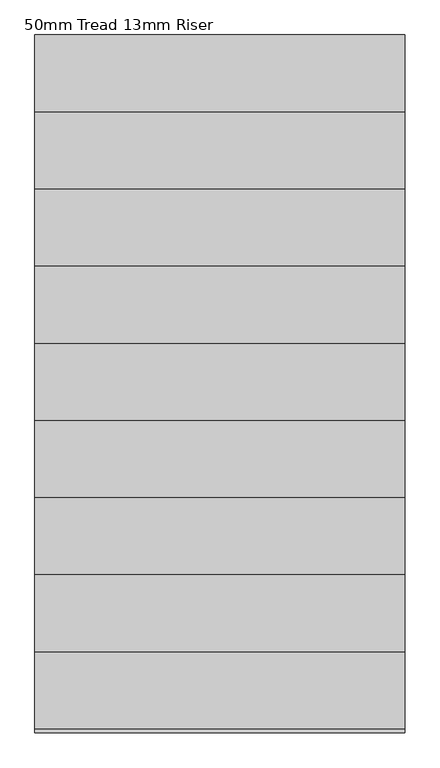
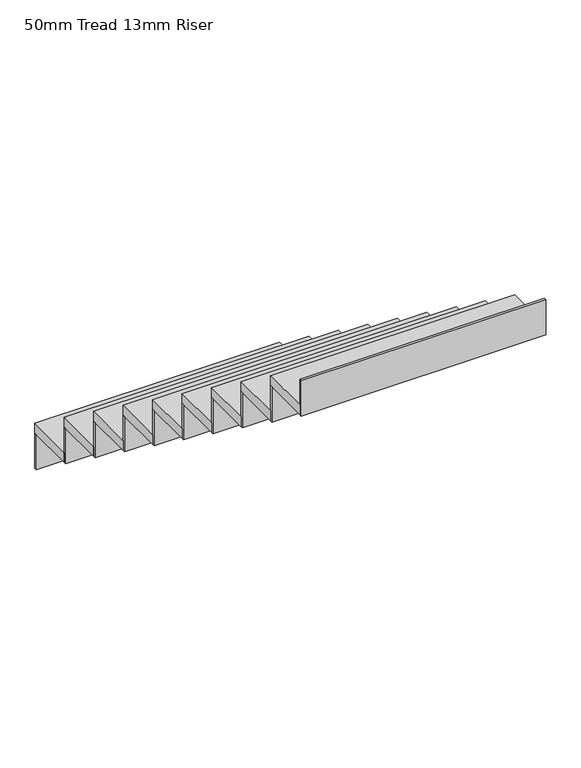
"""IFC4 building model written with IfcOpenShell, lengths in millimetres: stair flight geometry, 50mm Tread 13mm Riser."""

from ifc_helpers import new_model, si_unit, frame, origin, place, context, project, spatial, polyline, outline, extrude, source, transform, mapped, element, save


def stair_flight_50mm_tread_13mm_riser_dfc978ee(model_context):
    return source(origin(), model_context, "Body", "SweptSolid", [
        extrude(outline(polyline([(-20882.9044643, 2815.3449078), (-20882.9044643, 2827.8449078), (-19682.9044643, 2827.8449078), (-19682.9044643, 2815.3449078), (-20882.9044643, 2815.3449078)])), frame((0.0, 0.0, 14525.0), z_axis=(0.0, 0.0, 1.0), x_axis=(1.0, 0.0, 0.0)), (0.0, 0.0, 1.0), 182.5),
        extrude(outline(polyline([(-19682.9044643, 2577.8449078), (-20882.9044643, 2577.8449078), (-20882.9044643, 2827.8449078), (-19682.9044643, 2827.8449078), (-19682.9044643, 2577.8449078)])), frame((0.0, 0.0, 14707.5), z_axis=(0.0, 0.0, 1.0), x_axis=(1.0, 0.0, 0.0)), (0.0, 0.0, 1.0), 50.0),
        extrude(outline(polyline([(-20882.9044643, 2565.3449078), (-20882.9044643, 2577.8449078), (-19682.9044643, 2577.8449078), (-19682.9044643, 2565.3449078), (-20882.9044643, 2565.3449078)])), frame((0.0, 0.0, 14707.5), z_axis=(0.0, 0.0, 1.0), x_axis=(1.0, 0.0, 0.0)), (0.0, 0.0, 1.0), 182.5),
        extrude(outline(polyline([(-19682.9044643, 2327.8449078), (-20882.9044643, 2327.8449078), (-20882.9044643, 2577.8449078), (-19682.9044643, 2577.8449078), (-19682.9044643, 2327.8449078)])), frame((0.0, 0.0, 14890.0), z_axis=(0.0, 0.0, 1.0), x_axis=(1.0, 0.0, 0.0)), (0.0, 0.0, 1.0), 50.0),
        extrude(outline(polyline([(-20882.9044643, 2315.3449078), (-20882.9044643, 2327.8449078), (-19682.9044643, 2327.8449078), (-19682.9044643, 2315.3449078), (-20882.9044643, 2315.3449078)])), frame((0.0, 0.0, 14890.0), z_axis=(0.0, 0.0, 1.0), x_axis=(1.0, 0.0, 0.0)), (0.0, 0.0, 1.0), 182.5),
        extrude(outline(polyline([(-19682.9044643, 2077.8449078), (-20882.9044643, 2077.8449078), (-20882.9044643, 2327.8449078), (-19682.9044643, 2327.8449078), (-19682.9044643, 2077.8449078)])), frame((0.0, 0.0, 15072.5), z_axis=(0.0, 0.0, 1.0), x_axis=(1.0, 0.0, 0.0)), (0.0, 0.0, 1.0), 50.0),
        extrude(outline(polyline([(-20882.9044643, 2065.3449078), (-20882.9044643, 2077.8449078), (-19682.9044643, 2077.8449078), (-19682.9044643, 2065.3449078), (-20882.9044643, 2065.3449078)])), frame((0.0, 0.0, 15072.5), z_axis=(0.0, 0.0, 1.0), x_axis=(1.0, 0.0, 0.0)), (0.0, 0.0, 1.0), 182.5),
        extrude(outline(polyline([(-19682.9044643, 1827.8449078), (-20882.9044643, 1827.8449078), (-20882.9044643, 2077.8449078), (-19682.9044643, 2077.8449078), (-19682.9044643, 1827.8449078)])), frame((0.0, 0.0, 15255.0), z_axis=(0.0, 0.0, 1.0), x_axis=(1.0, 0.0, 0.0)), (0.0, 0.0, 1.0), 50.0),
        extrude(outline(polyline([(-20882.9044643, 1815.3449078), (-20882.9044643, 1827.8449078), (-19682.9044643, 1827.8449078), (-19682.9044643, 1815.3449078), (-20882.9044643, 1815.3449078)])), frame((0.0, 0.0, 15255.0), z_axis=(0.0, 0.0, 1.0), x_axis=(1.0, 0.0, 0.0)), (0.0, 0.0, 1.0), 182.5),
        extrude(outline(polyline([(-19682.9044643, 1577.8449078), (-20882.9044643, 1577.8449078), (-20882.9044643, 1827.8449078), (-19682.9044643, 1827.8449078), (-19682.9044643, 1577.8449078)])), frame((0.0, 0.0, 15437.5), z_axis=(0.0, 0.0, 1.0), x_axis=(1.0, 0.0, 0.0)), (0.0, 0.0, 1.0), 50.0),
        extrude(outline(polyline([(-20882.9044643, 1565.3449078), (-20882.9044643, 1577.8449078), (-19682.9044643, 1577.8449078), (-19682.9044643, 1565.3449078), (-20882.9044643, 1565.3449078)])), frame((0.0, 0.0, 15437.5), z_axis=(0.0, 0.0, 1.0), x_axis=(1.0, 0.0, 0.0)), (0.0, 0.0, 1.0), 182.5),
        extrude(outline(polyline([(-19682.9044643, 1327.8449078), (-20882.9044643, 1327.8449078), (-20882.9044643, 1577.8449078), (-19682.9044643, 1577.8449078), (-19682.9044643, 1327.8449078)])), frame((0.0, 0.0, 15620.0), z_axis=(0.0, 0.0, 1.0), x_axis=(1.0, 0.0, 0.0)), (0.0, 0.0, 1.0), 50.0),
        extrude(outline(polyline([(-20882.9044643, 1315.3449078), (-20882.9044643, 1327.8449078), (-19682.9044643, 1327.8449078), (-19682.9044643, 1315.3449078), (-20882.9044643, 1315.3449078)])), frame((0.0, 0.0, 15620.0), z_axis=(0.0, 0.0, 1.0), x_axis=(1.0, 0.0, 0.0)), (0.0, 0.0, 1.0), 182.5),
        extrude(outline(polyline([(-19682.9044643, 1077.8449078), (-20882.9044643, 1077.8449078), (-20882.9044643, 1327.8449078), (-19682.9044643, 1327.8449078), (-19682.9044643, 1077.8449078)])), frame((0.0, 0.0, 15802.5), z_axis=(0.0, 0.0, 1.0), x_axis=(1.0, 0.0, 0.0)), (0.0, 0.0, 1.0), 50.0),
        extrude(outline(polyline([(-20882.9044643, 1065.3449078), (-20882.9044643, 1077.8449078), (-19682.9044643, 1077.8449078), (-19682.9044643, 1065.3449078), (-20882.9044643, 1065.3449078)])), frame((0.0, 0.0, 15802.5), z_axis=(0.0, 0.0, 1.0), x_axis=(1.0, 0.0, 0.0)), (0.0, 0.0, 1.0), 182.5),
        extrude(outline(polyline([(-19682.9044643, 827.8449078), (-20882.9044643, 827.8449078), (-20882.9044643, 1077.8449078), (-19682.9044643, 1077.8449078), (-19682.9044643, 827.8449078)])), frame((0.0, 0.0, 15985.0), z_axis=(0.0, 0.0, 1.0), x_axis=(1.0, 0.0, 0.0)), (0.0, 0.0, 1.0), 50.0),
        extrude(outline(polyline([(-20882.9044643, 815.3449078), (-20882.9044643, 827.8449078), (-19682.9044643, 827.8449078), (-19682.9044643, 815.3449078), (-20882.9044643, 815.3449078)])), frame((0.0, 0.0, 15985.0), z_axis=(0.0, 0.0, 1.0), x_axis=(1.0, 0.0, 0.0)), (0.0, 0.0, 1.0), 182.5),
        extrude(outline(polyline([(-19682.9044643, 577.8449078), (-20882.9044643, 577.8449078), (-20882.9044643, 827.8449078), (-19682.9044643, 827.8449078), (-19682.9044643, 577.8449078)])), frame((0.0, 0.0, 16167.5), z_axis=(0.0, 0.0, 1.0), x_axis=(1.0, 0.0, 0.0)), (0.0, 0.0, 1.0), 50.0),
        extrude(outline(polyline([(-20882.9044643, 565.3449078), (-20882.9044643, 577.8449078), (-19682.9044643, 577.8449078), (-19682.9044643, 565.3449078), (-20882.9044643, 565.3449078)])), frame((0.0, 0.0, 16167.5), z_axis=(0.0, 0.0, 1.0), x_axis=(1.0, 0.0, 0.0)), (0.0, 0.0, 1.0), 182.5),
    ])


if __name__ == "__main__":
    model = new_model("IFC4")
    model_context = context("Model", 3, world=origin())
    ifc_project = project(units=[si_unit("LENGTHUNIT", "METRE", prefix="MILLI")], contexts=[model_context])
    site = spatial("IfcSite", under=ifc_project)
    building = spatial("IfcBuilding", under=site)
    placement = place(None, origin())
    stair_flight_50mm_tread_13mm_riser_shape = stair_flight_50mm_tread_13mm_riser_dfc978ee(model_context)
    element("IfcStairFlight", 1, ObjectType="50mm Tread 13mm Riser", at=placement, inside=building, context=model_context, shape_type="MappedRepresentation", body=[
        mapped(stair_flight_50mm_tread_13mm_riser_shape, transform((0.0, 0.0, 0.0), x_axis=(1.0, 0.0, 0.0), y_axis=(0.0, 1.0, 0.0), z_axis=(0.0, 0.0, 1.0))),
    ])
    save(model, "model.ifc")
